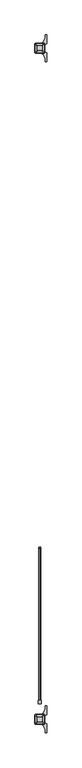
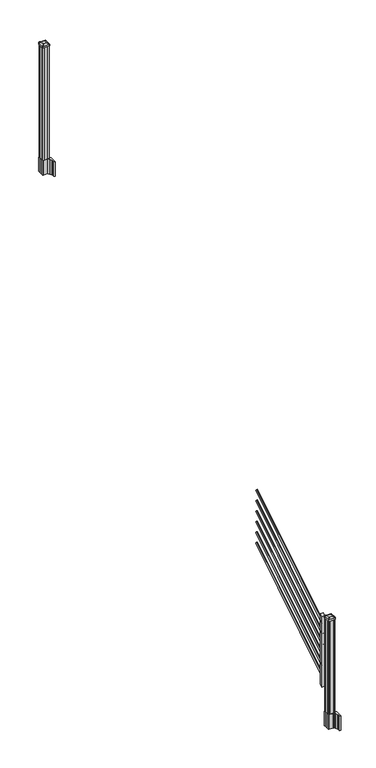
"""IFC4 building model written with IfcOpenShell, lengths in millimetres: railing geometry."""

import ifcopenshell
import ifcopenshell.guid

model = None  # the IFC model being written
_history = None  # IfcOwnerHistory: only IFC2X3 demands one
_inside = {}  # id of a spatial element -> (the spatial element, [elements in it])
_under = {}  # id of a project, library or spatial element -> (it, [spatial elements below it])
_declared = {}  # id of a project -> (the project, [libraries it declares])
_typed = {}  # id of a type object -> (the type object, [elements of that type])
_made_of = {}  # id of a material, layer set ... -> (it, [elements and type objects made of it])


def new_model(schema):
    """Start an empty IFC model of exactly this schema.

    Asked for "IFC4X3", IfcOpenShell would pick the latest addendum, in which some entities
    have other attributes; the version numbers below select the first issue.
    IFC2X3 requires an IfcOwnerHistory on every rooted entity: one is made here for all.
    """
    global model, _history
    if schema == "IFC4X3":
        model = ifcopenshell.file(schema_version=(4, 3, 0, 0))
    else:
        model = ifcopenshell.file(schema=schema)
    _inside.clear()
    _under.clear()
    _declared.clear()
    _typed.clear()
    _made_of.clear()
    _history = None
    if model.schema == "IFC2X3":
        org = make("IfcOrganization", Name="unknown")
        user = make(
            "IfcPersonAndOrganization",
            ThePerson=make("IfcPerson", FamilyName="unknown"),
            TheOrganization=org,
        )
        app = make(
            "IfcApplication",
            ApplicationDeveloper=org,
            Version="unknown",
            ApplicationFullName="unknown",
            ApplicationIdentifier="unknown",
        )
        _history = make(
            "IfcOwnerHistory",
            OwningUser=user,
            OwningApplication=app,
            ChangeAction="ADDED",
            CreationDate=0,
        )
    return model


def make(cls, **values):
    """One entity of the class cls with the attributes given. An attribute that is None is left unset."""
    return model.create_entity(
        cls, **{name: value for name, value in values.items() if value is not None}
    )


def rooted(cls, **values):
    """An entity with a GlobalId (a new one), such as an element, a storey or a relation."""
    return make(cls, GlobalId=ifcopenshell.guid.new(), OwnerHistory=_history, **values)


def si_unit(unit_type, name, prefix=None):
    """IfcSIUnit, for example si_unit("LENGTHUNIT", "METRE", prefix="MILLI")."""
    return make("IfcSIUnit", UnitType=unit_type, Prefix=prefix, Name=name)


def assignment(units):
    """IfcUnitAssignment: the units of a project."""
    return None if units is None else make("IfcUnitAssignment", Units=units)


def point(xyz):
    """IfcCartesianPoint."""
    return None if xyz is None else make("IfcCartesianPoint", Coordinates=xyz)


def direction(xyz):
    """IfcDirection."""
    return None if xyz is None else make("IfcDirection", DirectionRatios=xyz)


def frame(location, z_axis=None, x_axis=None):
    """IfcAxis2Placement3D, a coordinate frame: its origin and axes. An axis left out is left unset."""
    return make(
        "IfcAxis2Placement3D",
        Location=point(location),
        Axis=direction(z_axis),
        RefDirection=direction(x_axis),
    )


def frame_2d(location, x_axis=None):
    """IfcAxis2Placement2D, a coordinate frame in the plane: its origin and x axis."""
    return make(
        "IfcAxis2Placement2D", Location=point(location), RefDirection=direction(x_axis)
    )


def origin():
    """The frame at (0, 0, 0) with its axes left unset."""
    return frame((0.0, 0.0, 0.0))


def origin_2d():
    """The frame at (0, 0) in the plane with its x axis left unset."""
    return frame_2d((0.0, 0.0))


def place(relative_to, where):
    """IfcLocalPlacement: puts the frame where relative to a parent placement (None: the world)."""
    return make(
        "IfcLocalPlacement", PlacementRelTo=relative_to, RelativePlacement=where
    )


def context(
    kind, dimensions, precision=None, world=None, true_north=None, identifier=None
):
    """IfcGeometricRepresentationContext, for example the 3D "Model" context."""
    return make(
        "IfcGeometricRepresentationContext",
        ContextIdentifier=identifier,
        ContextType=kind,
        CoordinateSpaceDimension=dimensions,
        Precision=precision,
        WorldCoordinateSystem=world,
        TrueNorth=true_north,
    )


def project(units=None, contexts=None):
    """IfcProject with its units and contexts."""
    return rooted(
        "IfcProject",
        Name="project",
        RepresentationContexts=contexts,
        UnitsInContext=assignment(units),
    )


def spatial(cls, under=None, at=None, **own):
    """A site, building, storey or space (cls), placed at a placement, below another one or the project."""
    s = rooted(cls, ObjectPlacement=at, **own)
    if under is not None:
        _under.setdefault(under.id(), (under, []))[1].append(s)
    return s


def polyline(points):
    """IfcPolyline through the points."""
    return make("IfcPolyline", Points=[point(p) for p in points])


def circle_curve(where, radius):
    """IfcCircle in the frame where."""
    return make("IfcCircle", Position=where, Radius=radius)


def trimmed(basis, trim1, trim2, sense, master):
    """IfcTrimmedCurve: the piece of a basis curve between two trims."""
    return make(
        "IfcTrimmedCurve",
        BasisCurve=basis,
        Trim1=trim1,
        Trim2=trim2,
        SenseAgreement=sense,
        MasterRepresentation=master,
    )


def segment(curve, same_sense, transition):
    """IfcCompositeCurveSegment."""
    return make(
        "IfcCompositeCurveSegment",
        Transition=transition,
        SameSense=same_sense,
        ParentCurve=curve,
    )


def composite_curve(segments, self_intersect=None):
    """IfcCompositeCurve: segments joined end to end."""
    return make("IfcCompositeCurve", Segments=segments, SelfIntersect=self_intersect)


def outline(outer, holes=None, kind="AREA"):
    """IfcArbitraryClosedProfileDef: a profile drawn as a closed curve; with holes, ...WithVoids."""
    if holes is None:
        return make("IfcArbitraryClosedProfileDef", ProfileType=kind, OuterCurve=outer)
    return make(
        "IfcArbitraryProfileDefWithVoids",
        ProfileType=kind,
        OuterCurve=outer,
        InnerCurves=holes,
    )


def extrude(swept, where, along, depth):
    """IfcExtrudedAreaSolid: the profile swept, set in the frame where, extruded along a direction by depth."""
    return make(
        "IfcExtrudedAreaSolid",
        SweptArea=swept,
        Position=where,
        ExtrudedDirection=direction(along),
        Depth=depth,
    )


def shape(context_of_items, identifier, shape_type, items):
    """IfcShapeRepresentation: the items that make up one representation, for example the "Body"."""
    return make(
        "IfcShapeRepresentation",
        ContextOfItems=context_of_items,
        RepresentationIdentifier=identifier,
        RepresentationType=shape_type,
        Items=items,
    )


def source(mapping_origin, context_of_items, identifier, shape_type, items):
    """IfcRepresentationMap: a shape defined once, which mapped items show again and again."""
    return make(
        "IfcRepresentationMap",
        MappingOrigin=mapping_origin,
        MappedRepresentation=shape(context_of_items, identifier, shape_type, items),
    )


def transform(
    local_origin,
    x_axis=None,
    y_axis=None,
    z_axis=None,
    scale=None,
    scale2=None,
    scale3=None,
    uniform=True,
):
    """IfcCartesianTransformationOperator3D, or its non-uniform kind. x_axis, y_axis, z_axis: its Axis1, 2, 3."""
    if uniform:
        return make(
            "IfcCartesianTransformationOperator3D",
            Axis1=direction(x_axis),
            Axis2=direction(y_axis),
            LocalOrigin=point(local_origin),
            Scale=scale,
            Axis3=direction(z_axis),
        )
    return make(
        "IfcCartesianTransformationOperator3DnonUniform",
        Axis1=direction(x_axis),
        Axis2=direction(y_axis),
        LocalOrigin=point(local_origin),
        Scale=scale,
        Axis3=direction(z_axis),
        Scale2=scale2,
        Scale3=scale3,
    )


def mapped(mapping_source, mapping_target):
    """IfcMappedItem: shows the shape of a source again, moved by a transform."""
    return make(
        "IfcMappedItem", MappingSource=mapping_source, MappingTarget=mapping_target
    )


def made_of(thing, what):
    """Note that an element or type object is made of a material, layer set ...; save() writes the relation."""
    if what is not None:
        _made_of.setdefault(what.id(), (what, []))[1].append(thing)
    return thing


def element(
    cls,
    number,
    at=None,
    inside=None,
    cuts=None,
    type_object=None,
    material=None,
    context=None,
    identifier="Body",
    shape_type=None,
    held_by="IfcProductDefinitionShape",
    body=None,
    shapes=None,
    **own,
):
    """One element of the class cls, such as IfcWall. Its Tag is "e" and its number.

    at: its placement. inside: the storey or other place that contains it. cuts: it is an
    opening in that element (IfcRelVoidsElement). A single representation is given by context,
    identifier, shape_type and body (its items); several are given by shapes. held_by: the class
    of the entity that holds the representations. save() writes the other relations.
    """
    e = rooted(cls, Tag="e%d" % number, ObjectPlacement=at, **own)
    if body is not None:
        shapes = [shape(context, identifier, shape_type, body)]
    if shapes is not None:
        e.Representation = make(held_by, Representations=shapes)
    if inside is not None:
        _inside.setdefault(inside.id(), (inside, []))[1].append(e)
    if cuts is not None:
        rooted(
            "IfcRelVoidsElement", RelatingBuildingElement=cuts, RelatedOpeningElement=e
        )
    if type_object is not None:
        _typed.setdefault(type_object.id(), (type_object, []))[1].append(e)
    return made_of(e, material)


def aggregate(whole, parts):
    """IfcRelAggregates: a whole, such as a stair, and the parts it consists of."""
    return rooted("IfcRelAggregates", RelatingObject=whole, RelatedObjects=parts)


def save(model, path):
    """Write the relations noted so far, then the file.

    IfcRelAggregates (storeys below a building ...), IfcRelContainedInSpatialStructure (elements
    in a storey), IfcRelDefinesByType, IfcRelAssociatesMaterial and IfcRelDeclares: one each for
    every whole, place, type object, material and project.
    """
    for whole, parts in _under.values():
        aggregate(whole, parts)
    for where, things in _inside.values():
        rooted(
            "IfcRelContainedInSpatialStructure",
            RelatedElements=things,
            RelatingStructure=where,
        )
    for kind, things in _typed.values():
        rooted("IfcRelDefinesByType", RelatedObjects=things, RelatingType=kind)
    for what, things in _made_of.values():
        rooted("IfcRelAssociatesMaterial", RelatedObjects=things, RelatingMaterial=what)
    for by, libraries in _declared.values():
        rooted("IfcRelDeclares", RelatingContext=by, RelatedDefinitions=libraries)
    model.write(path)


def plane_surface(at):
    """IfcPlane: the flat surface through the origin of the frame at, square to its z axis."""
    return make("IfcPlane", Position=at)


def extruded_surface(curve, direction_of_extrusion, depth):
    """IfcSurfaceOfLinearExtrusion: the curve pushed along a direction by depth."""
    return make(
        "IfcSurfaceOfLinearExtrusion",
        SweptCurve=make("IfcArbitraryOpenProfileDef", ProfileType="CURVE", Curve=curve),
        ExtrudedDirection=direction(direction_of_extrusion),
        Depth=depth,
    )


def advanced_brep(points, edges, surfaces, faces):
    """IfcAdvancedBrep: a solid bounded by faces that lie on surfaces and meet in shared edges.

    An edge is (start, end): straight between two places in points (the first is 0);
    or (start, end, curve); or (start, end, curve, False) where it runs against its curve.
    A face is (place in surfaces, loops), or (place, loops, False) where it looks against
    its surface's normal. A loop lists edges by number (the first is 1), with a minus sign
    where the edge is run from its end to its start. The first loop is the outer one.
    """
    corners = [point(p) for p in points]
    vertices = [make("IfcVertexPoint", VertexGeometry=c) for c in corners]
    made = []
    for start, end, *more in edges:
        made.append(
            make(
                "IfcEdgeCurve",
                EdgeStart=vertices[start],
                EdgeEnd=vertices[end],
                EdgeGeometry=more[0] if more else make("IfcPolyline", Points=[corners[start], corners[end]]),
                SameSense=more[1] if len(more) > 1 else True,
            )
        )
    hull = []
    for where, loops, *sense in faces:
        bounds = []
        for j, loop in enumerate(loops):
            ring = [make("IfcOrientedEdge", EdgeElement=made[abs(k) - 1], Orientation=k > 0) for k in loop]
            bounds.append(
                make(
                    "IfcFaceOuterBound" if j == 0 else "IfcFaceBound",
                    Bound=make("IfcEdgeLoop", EdgeList=ring),
                    Orientation=True,
                )
            )
        hull.append(make("IfcAdvancedFace", Bounds=bounds, FaceSurface=surfaces[where], SameSense=sense[0] if sense else True))
    return make("IfcAdvancedBrep", Outer=make("IfcClosedShell", CfsFaces=hull))


def railing_d5730ad0(model_context):
    return source(origin(), model_context, "Body", "SolidModel", [
        extrude(outline(composite_curve([segment(trimmed(circle_curve(origin_2d(), 8.001), [point((0.0, -8.001))], [point((0.0, 8.001))], False, "CARTESIAN"), True, "CONTINUOUS"), segment(trimmed(circle_curve(origin_2d(), 8.001), [point((0.0, 8.001))], [point((0.0, -8.001))], False, "CARTESIAN"), True, "CONTINUOUS")], self_intersect=False)), frame((7312.3759347, -142640.4708453, 505.0646159), z_axis=(0.0, 0.8479983040051253, 0.5299989400031202), x_axis=(-1.0, 0.0, 0.0)), (0.0, 0.0, 1.0), 1347.8800542),
        extrude(outline(composite_curve([segment(trimmed(circle_curve(origin_2d(), 8.001), [point((0.0, -8.001))], [point((0.0, 8.001))], False, "CARTESIAN"), True, "CONTINUOUS"), segment(trimmed(circle_curve(origin_2d(), 8.001), [point((0.0, 8.001))], [point((0.0, -8.001))], False, "CARTESIAN"), True, "CONTINUOUS")], self_intersect=False)), frame((7312.3759347, -142640.4708453, 616.2545274), z_axis=(0.0, 0.8479983040051253, 0.5299989400031202), x_axis=(-1.0, 0.0, 0.0)), (0.0, 0.0, 1.0), 1347.8800542),
        extrude(outline(composite_curve([segment(trimmed(circle_curve(origin_2d(), 8.001), [point((0.0, -8.001))], [point((0.0, 8.001))], False, "CARTESIAN"), True, "CONTINUOUS"), segment(trimmed(circle_curve(origin_2d(), 8.001), [point((0.0, 8.001))], [point((0.0, -8.001))], False, "CARTESIAN"), True, "CONTINUOUS")], self_intersect=False)), frame((7312.3759347, -142640.4708453, 727.444439), z_axis=(0.0, 0.8479983040051254, 0.5299989400031202), x_axis=(-1.0, 0.0, 0.0)), (0.0, 0.0, 1.0), 1347.8800542),
        extrude(outline(composite_curve([segment(trimmed(circle_curve(origin_2d(), 8.001), [point((0.0, -8.001))], [point((0.0, 8.001))], False, "CARTESIAN"), True, "CONTINUOUS"), segment(trimmed(circle_curve(origin_2d(), 8.001), [point((0.0, 8.001))], [point((0.0, -8.001))], False, "CARTESIAN"), True, "CONTINUOUS")], self_intersect=False)), frame((7312.3759347, -142640.4708453, 838.6343506), z_axis=(0.0, 0.8479983040051254, 0.5299989400031202), x_axis=(-1.0, 0.0, 0.0)), (0.0, 0.0, 1.0), 1347.8800542),
        extrude(outline(composite_curve([segment(trimmed(circle_curve(origin_2d(), 8.001), [point((0.0, -8.001))], [point((0.0, 8.001))], False, "CARTESIAN"), True, "CONTINUOUS"), segment(trimmed(circle_curve(origin_2d(), 8.001), [point((0.0, 8.001))], [point((0.0, -8.001))], False, "CARTESIAN"), True, "CONTINUOUS")], self_intersect=False)), frame((7312.3759347, -142640.4708453, 949.8242622), z_axis=(0.0, 0.8479983040051253, 0.5299989400031203), x_axis=(-1.0, 0.0, 0.0)), (0.0, 0.0, 1.0), 1347.8800542),
        extrude(outline(composite_curve([segment(trimmed(circle_curve(origin_2d(), 8.001), [point((0.0, -8.001))], [point((0.0, 8.001))], False, "CARTESIAN"), True, "CONTINUOUS"), segment(trimmed(circle_curve(origin_2d(), 8.001), [point((0.0, 8.001))], [point((0.0, -8.001))], False, "CARTESIAN"), True, "CONTINUOUS")], self_intersect=False)), frame((7312.3759347, -142640.4708453, 1061.0141737), z_axis=(0.0, 0.8479983040051253, 0.5299989400031203), x_axis=(-1.0, 0.0, 0.0)), (0.0, 0.0, 1.0), 1347.8800542),
        extrude(outline(polyline([(-142622.6908453, 415.0953781), (-142648.0908453, 399.2203781), (-142648.0908453, 1140.1425), (-142622.6908453, 1156.0175), (-142622.6908453, 415.0953781)])), frame((7299.3657728, 0.0, 0.0), z_axis=(1.0, 0.0, 0.0), x_axis=(0.0, 1.0, 0.0)), (0.0, 0.0, 1.0), 25.4),
        extrude(outline(composite_curve([segment(polyline([(7279.0140228, -137837.4449401), (7279.0140228, -137803.1807504), (7277.4265228, -137802.4187504), (7277.4265228, -137788.8878224), (7280.6407498, -137785.6735953), (7332.3214206, -137785.6735953), (7332.3214206, -137784.7528453), (7327.9710895, -137784.7528453), (7327.9710895, -137783.2985906), (7323.5976348, -137783.2985906), (7323.5976348, -137782.0145668), (7325.264907, -137782.0145668)]), True, "CONTINUOUS"), segment(trimmed(circle_curve(frame_2d((7325.264907, -137765.2713569)), 16.7432099), [point((7325.264907, -137782.0145668))], [point((7341.8870293, -137767.2813636))], True, "CARTESIAN"), True, "CONTINUOUS"), segment(polyline([(7341.8870293, -137767.2813636), (7349.6024736, -137750.2460251)]), True, "CONTINUOUS"), segment(trimmed(circle_curve(frame_2d((7304.5017103, -137733.9739755)), 47.9464123), [point((7349.6024736, -137750.2460251))], [point((7352.4481226, -137733.9739755))], True, "CARTESIAN"), True, "CONTINUOUS"), segment(polyline([(7352.4481226, -137733.9739755), (7352.4481226, -137721.9652359), (7364.6517103, -137721.9652359), (7364.6517103, -137787.2610953), (7346.7050228, -137798.8375116), (7346.7050228, -137802.4187504), (7345.1175228, -137803.1807504), (7345.1175228, -137837.4449401), (7346.7050228, -137838.2069401), (7346.7050228, -137841.788179), (7364.6517103, -137853.3645953), (7364.6517103, -137918.6604547), (7352.4481226, -137918.6604547), (7352.4481226, -137906.6517151)]), True, "CONTINUOUS"), segment(trimmed(circle_curve(frame_2d((7304.5017103, -137906.6517151)), 47.9464123), [point((7352.4481226, -137906.6517151))], [point((7349.6024736, -137890.3796654))], True, "CARTESIAN"), True, "CONTINUOUS"), segment(polyline([(7349.6024736, -137890.3796654), (7341.8870293, -137873.344327)]), True, "CONTINUOUS"), segment(trimmed(circle_curve(frame_2d((7325.264907, -137875.3543337)), 16.7432099), [point((7341.8870293, -137873.344327))], [point((7325.264907, -137858.6111238))], True, "CARTESIAN"), True, "CONTINUOUS"), segment(polyline([(7325.264907, -137858.6111238), (7333.0556192, -137858.6111238), (7333.0556192, -137857.3271), (7327.9710895, -137857.3271), (7327.9710895, -137855.8728453), (7332.3214206, -137855.8728453), (7332.3214206, -137854.9520953), (7280.6407498, -137854.9520953), (7277.4265228, -137851.7378682), (7277.4265228, -137838.2069401), (7279.0140228, -137837.4449401)]), True, "CONTINUOUS")], self_intersect=False), holes=[polyline([(7343.8157728, -137790.1503453), (7342.2282728, -137788.5628453), (7314.8289902, -137788.5628453), (7281.9032728, -137788.5628453), (7280.3157728, -137790.1503453), (7280.3157728, -137850.4753453), (7281.9032728, -137852.0628453), (7314.8289902, -137852.0628453), (7342.2282728, -137852.0628453), (7343.8157728, -137850.4753453), (7343.8157728, -137790.1503453)])]), frame((0.0, 0.0, 2895.6), z_axis=(0.0, 0.0, 1.0), x_axis=(1.0, 0.0, 0.0)), (0.0, 0.0, 1.0), 152.4),
        advanced_brep(
        [(7327.9407728, -137839.3628453, 4264.149263), (7331.1157728, -137836.1878453, 4264.149263), (7331.1157728, -137804.4378453, 4264.149263), (7327.9407728, -137801.2628453, 4264.149263), (7296.1907728, -137801.2628453, 4264.149263), (7293.0157728, -137804.4378453, 4264.149263), (7293.0157728, -137836.1878453, 4264.149263), (7296.1907728, -137839.3628453, 4264.149263), (7344.4507728, -137855.8728453, 4252.846263), (7279.6807728, -137855.8728453, 4252.846263), (7276.5057728, -137852.6978453, 4252.846263), (7276.5057728, -137787.9278453, 4252.846263), (7279.6807728, -137784.7528453, 4252.846263), (7344.4507728, -137784.7528453, 4252.846263), (7347.6257728, -137787.9278453, 4252.846263), (7347.6257728, -137852.6978453, 4252.846263)],
        [
            (0, 1, circle_curve(frame((7327.9407728, -137836.1878453, 4264.149263), z_axis=(0.0, 0.0, 1.0), x_axis=(0.0, 1.0, 0.0)), 3.175)),
            (1, 2),
            (2, 3, circle_curve(frame((7327.9407728, -137804.4378453, 4264.149263), z_axis=(0.0, 0.0, 1.0), x_axis=(0.0, 1.0, 0.0)), 3.175)),
            (3, 4),
            (4, 5, circle_curve(frame((7296.1907728, -137804.4378453, 4264.149263), z_axis=(0.0, 0.0, 1.0), x_axis=(0.0, 1.0, 0.0)), 3.175)),
            (5, 6),
            (6, 7, circle_curve(frame((7296.1907728, -137836.1878453, 4264.149263), z_axis=(0.0, 0.0, 1.0), x_axis=(0.0, 1.0, 0.0)), 3.175)),
            (7, 0),
            (8, 9),
            (9, 10, circle_curve(frame((7279.6807728, -137852.6978453, 4252.846263), z_axis=(0.0, 0.0, -1.0), x_axis=(0.0, 1.0, 0.0)), 3.175)),
            (10, 11),
            (11, 12, circle_curve(frame((7279.6807728, -137787.9278453, 4252.846263), z_axis=(0.0, 0.0, -1.0), x_axis=(0.0, 1.0, 0.0)), 3.175)),
            (12, 13),
            (13, 14, circle_curve(frame((7344.4507728, -137787.9278453, 4252.846263), z_axis=(0.0, 0.0, -1.0), x_axis=(0.0, 1.0, 0.0)), 3.175)),
            (14, 15),
            (15, 8, circle_curve(frame((7344.4507728, -137852.6978453, 4252.846263), z_axis=(0.0, 0.0, -1.0), x_axis=(0.0, 1.0, 0.0)), 3.175)),
            (15, 1),
            (0, 8),
            (14, 2),
            (13, 3),
            (12, 4),
            (11, 5),
            (10, 6),
            (9, 7),
        ],
        [
            plane_surface(frame((7312.0657728, -137820.3128453, 4264.149263), z_axis=(0.0, 0.0, 1.0), x_axis=(1.0, 0.0, 0.0))),
            plane_surface(frame((7312.0657728, -137820.3128453, 4252.846263), z_axis=(0.0, 0.0, -1.0), x_axis=(1.0, 0.0, 0.0))),
            extruded_surface(trimmed(circle_curve(frame((7344.4507728, -137852.6978453, 4252.846263), z_axis=(0.0, 0.0, 1.0), x_axis=(0.0, 1.0, 0.0)), 3.175), [point((7344.4507728, -137855.8728453, 4252.846263))], [point((7347.6257728, -137852.6978453, 4252.846263))], True, "CARTESIAN"), (-16.51000000000022, 16.50999999998021, 11.302999999999884), 25.940663233605864),
            plane_surface(frame((7347.6257728, -137820.3128453, 4252.846263), z_axis=(0.5649114395471265, 0.0, 0.8251515409116033), x_axis=(0.0, 1.0, 0.0))),
            extruded_surface(trimmed(circle_curve(frame((7344.4507728, -137787.9278453, 4252.846263), z_axis=(0.0, 0.0, 1.0), x_axis=(0.0, 1.0, 0.0)), 3.175), [point((7347.6257728, -137787.9278453, 4252.846263))], [point((7344.4507728, -137784.7528453, 4252.846263))], True, "CARTESIAN"), (-16.51000000000022, -16.510000000009313, 11.302999999999884), 25.940663233624388),
            plane_surface(frame((7312.0657728, -137784.7528453, 4252.846263), z_axis=(0.0, 0.564911439547091, 0.8251515409116277), x_axis=(-1.0, 0.0, 0.0))),
            extruded_surface(trimmed(circle_curve(frame((7279.6807728, -137787.9278453, 4252.846263), z_axis=(0.0, 0.0, 1.0), x_axis=(0.0, 1.0, 0.0)), 3.175), [point((7279.6807728, -137784.7528453, 4252.846263))], [point((7276.5057728, -137787.9278453, 4252.846263))], True, "CARTESIAN"), (16.50999999999931, -16.510000000009313, 11.302999999999884), 25.94066323362381),
            plane_surface(frame((7276.5057728, -137820.3128453, 4252.846263), z_axis=(-0.5649114395470568, 0.0, 0.8251515409116511), x_axis=(0.0, -1.0, 0.0))),
            extruded_surface(trimmed(circle_curve(frame((7279.6807728, -137852.6978453, 4252.846263), z_axis=(0.0, 0.0, 1.0), x_axis=(0.0, 1.0, 0.0)), 3.175), [point((7276.5057728, -137852.6978453, 4252.846263))], [point((7279.6807728, -137855.8728453, 4252.846263))], True, "CARTESIAN"), (16.50999999999931, 16.50999999998021, 11.302999999999884), 25.940663233605285),
            plane_surface(frame((7312.0657728, -137855.8728453, 4252.846263), z_axis=(0.0, -0.5649114395471048, 0.8251515409116182), x_axis=(1.0, 0.0, 0.0))),
        ],
        [
            (0, [[1, 2, 3, 4, 5, 6, 7, 8]]),
            (1, [[9, 10, 11, 12, 13, 14, 15, 16]]),
            (2, [[-16, 17, -1, 18]]),
            (3, [[-15, 19, -2, -17]]),
            (4, [[-14, 20, -3, -19]]),
            (5, [[-13, 21, -4, -20]]),
            (6, [[-12, 22, -5, -21]]),
            (7, [[-11, 23, -6, -22]]),
            (8, [[-10, 24, -7, -23]]),
            (9, [[-9, -18, -8, -24]]),
        ],
    ),
        extrude(outline(composite_curve([segment(polyline([(7344.4507728, -137855.8728453), (7279.6807728, -137855.8728453)]), True, "CONTINUOUS"), segment(trimmed(circle_curve(frame_2d((7279.6807728, -137852.6978453)), 3.175), [point((7279.6807728, -137855.8728453))], [point((7276.5057728, -137852.6978453))], False, "CARTESIAN"), True, "CONTINUOUS"), segment(polyline([(7276.5057728, -137852.6978453), (7276.5057728, -137787.9278453)]), True, "CONTINUOUS"), segment(trimmed(circle_curve(frame_2d((7279.6807728, -137787.9278453)), 3.175), [point((7276.5057728, -137787.9278453))], [point((7279.6807728, -137784.7528453))], False, "CARTESIAN"), True, "CONTINUOUS"), segment(polyline([(7279.6807728, -137784.7528453), (7344.4507728, -137784.7528453)]), True, "CONTINUOUS"), segment(trimmed(circle_curve(frame_2d((7344.4507728, -137787.9278453)), 3.175), [point((7344.4507728, -137784.7528453))], [point((7347.6257728, -137787.9278453))], False, "CARTESIAN"), True, "CONTINUOUS"), segment(polyline([(7347.6257728, -137787.9278453), (7347.6257728, -137852.6978453)]), True, "CONTINUOUS"), segment(trimmed(circle_curve(frame_2d((7344.4507728, -137852.6978453)), 3.175), [point((7347.6257728, -137852.6978453))], [point((7344.4507728, -137855.8728453))], False, "CARTESIAN"), True, "CONTINUOUS")], self_intersect=False)), frame((0.0, 0.0, 4235.574263), z_axis=(0.0, 0.0, 1.0), x_axis=(1.0, 0.0, 0.0)), (0.0, 0.0, 1.0), 17.272),
        extrude(outline(polyline([(7342.2282728, -137852.0628453), (7331.8777728, -137852.0628453), (7331.1157728, -137850.4753453), (7293.0157728, -137850.4753453), (7292.2537728, -137852.0628453), (7281.9032728, -137852.0628453), (7280.3157728, -137850.4753453), (7280.3157728, -137840.1248453), (7281.9032728, -137839.3628453), (7281.9032728, -137801.2628453), (7280.3157728, -137800.5008453), (7280.3157728, -137790.1503453), (7281.9032728, -137788.5628453), (7292.2537728, -137788.5628453), (7293.0157728, -137790.1503453), (7331.1157728, -137790.1503453), (7331.8777728, -137788.5628453), (7342.2282728, -137788.5628453), (7343.8157728, -137790.1503453), (7343.8157728, -137800.5008453), (7342.2282728, -137801.2628453), (7342.2282728, -137839.3628453), (7343.8157728, -137840.1248453), (7343.8157728, -137850.4753453), (7342.2282728, -137852.0628453)])), frame((0.0, 0.0, 3048.0), z_axis=(0.0, 0.0, 1.0), x_axis=(1.0, 0.0, 0.0)), (0.0, 0.0, 1.0), 1187.574263),
        extrude(outline(composite_curve([segment(polyline([(7279.0140228, -142777.7449401), (7279.0140228, -142743.4807504), (7277.4265228, -142742.7187504), (7277.4265228, -142729.1878224), (7280.6407498, -142725.9735953), (7332.3214206, -142725.9735953), (7332.3214206, -142725.0528453), (7327.9710895, -142725.0528453), (7327.9710895, -142723.5985906), (7323.5976348, -142723.5985906), (7323.5976348, -142722.3145668), (7325.264907, -142722.3145668)]), True, "CONTINUOUS"), segment(trimmed(circle_curve(frame_2d((7325.264907, -142705.5713569)), 16.7432099), [point((7325.264907, -142722.3145668))], [point((7341.8870293, -142707.5813636))], True, "CARTESIAN"), True, "CONTINUOUS"), segment(polyline([(7341.8870293, -142707.5813636), (7349.6024736, -142690.5460251)]), True, "CONTINUOUS"), segment(trimmed(circle_curve(frame_2d((7304.5017103, -142674.2739755)), 47.9464123), [point((7349.6024736, -142690.5460251))], [point((7352.4481226, -142674.2739755))], True, "CARTESIAN"), True, "CONTINUOUS"), segment(polyline([(7352.4481226, -142674.2739755), (7352.4481226, -142662.2652359), (7364.6517103, -142662.2652359), (7364.6517103, -142727.5610953), (7346.7050228, -142739.1375116), (7346.7050228, -142742.7187504), (7345.1175228, -142743.4807504), (7345.1175228, -142777.7449401), (7346.7050228, -142778.5069401), (7346.7050228, -142782.088179), (7364.6517103, -142793.6645953), (7364.6517103, -142858.9604547), (7352.4481226, -142858.9604547), (7352.4481226, -142846.9517151)]), True, "CONTINUOUS"), segment(trimmed(circle_curve(frame_2d((7304.5017103, -142846.9517151)), 47.9464123), [point((7352.4481226, -142846.9517151))], [point((7349.6024736, -142830.6796654))], True, "CARTESIAN"), True, "CONTINUOUS"), segment(polyline([(7349.6024736, -142830.6796654), (7341.8870293, -142813.644327)]), True, "CONTINUOUS"), segment(trimmed(circle_curve(frame_2d((7325.264907, -142815.6543337)), 16.7432099), [point((7341.8870293, -142813.644327))], [point((7325.264907, -142798.9111238))], True, "CARTESIAN"), True, "CONTINUOUS"), segment(polyline([(7325.264907, -142798.9111238), (7333.0556192, -142798.9111238), (7333.0556192, -142797.6271), (7327.9710895, -142797.6271), (7327.9710895, -142796.1728453), (7332.3214206, -142796.1728453), (7332.3214206, -142795.2520953), (7280.6407498, -142795.2520953), (7277.4265228, -142792.0378682), (7277.4265228, -142778.5069401), (7279.0140228, -142777.7449401)]), True, "CONTINUOUS")], self_intersect=False), holes=[polyline([(7343.8157728, -142730.4503453), (7342.2282728, -142728.8628453), (7314.8289902, -142728.8628453), (7281.9032728, -142728.8628453), (7280.3157728, -142730.4503453), (7280.3157728, -142790.7753453), (7281.9032728, -142792.3628453), (7314.8289902, -142792.3628453), (7342.2282728, -142792.3628453), (7343.8157728, -142790.7753453), (7343.8157728, -142730.4503453)])]), frame((0.0, 0.0, 50.00625), z_axis=(0.0, 0.0, 1.0), x_axis=(1.0, 0.0, 0.0)), (0.0, 0.0, 1.0), 152.4),
        advanced_brep(
        [(7327.9407728, -142779.6628453, 1215.355513), (7331.1157728, -142776.4878453, 1215.355513), (7331.1157728, -142744.7378453, 1215.355513), (7327.9407728, -142741.5628453, 1215.355513), (7296.1907728, -142741.5628453, 1215.355513), (7293.0157728, -142744.7378453, 1215.355513), (7293.0157728, -142776.4878453, 1215.355513), (7296.1907728, -142779.6628453, 1215.355513), (7344.4507728, -142796.1728453, 1204.052513), (7279.6807728, -142796.1728453, 1204.052513), (7276.5057728, -142792.9978453, 1204.052513), (7276.5057728, -142728.2278453, 1204.052513), (7279.6807728, -142725.0528453, 1204.052513), (7344.4507728, -142725.0528453, 1204.052513), (7347.6257728, -142728.2278453, 1204.052513), (7347.6257728, -142792.9978453, 1204.052513)],
        [
            (0, 1, circle_curve(frame((7327.9407728, -142776.4878453, 1215.355513), z_axis=(0.0, 0.0, 1.0), x_axis=(0.0, 1.0, 0.0)), 3.175)),
            (1, 2),
            (2, 3, circle_curve(frame((7327.9407728, -142744.7378453, 1215.355513), z_axis=(0.0, 0.0, 1.0), x_axis=(0.0, 1.0, 0.0)), 3.175)),
            (3, 4),
            (4, 5, circle_curve(frame((7296.1907728, -142744.7378453, 1215.355513), z_axis=(0.0, 0.0, 1.0), x_axis=(0.0, 1.0, 0.0)), 3.175)),
            (5, 6),
            (6, 7, circle_curve(frame((7296.1907728, -142776.4878453, 1215.355513), z_axis=(0.0, 0.0, 1.0), x_axis=(0.0, 1.0, 0.0)), 3.175)),
            (7, 0),
            (8, 9),
            (9, 10, circle_curve(frame((7279.6807728, -142792.9978453, 1204.052513), z_axis=(0.0, 0.0, -1.0), x_axis=(0.0, 1.0, 0.0)), 3.175)),
            (10, 11),
            (11, 12, circle_curve(frame((7279.6807728, -142728.2278453, 1204.052513), z_axis=(0.0, 0.0, -1.0), x_axis=(0.0, 1.0, 0.0)), 3.175)),
            (12, 13),
            (13, 14, circle_curve(frame((7344.4507728, -142728.2278453, 1204.052513), z_axis=(0.0, 0.0, -1.0), x_axis=(0.0, 1.0, 0.0)), 3.175)),
            (14, 15),
            (15, 8, circle_curve(frame((7344.4507728, -142792.9978453, 1204.052513), z_axis=(0.0, 0.0, -1.0), x_axis=(0.0, 1.0, 0.0)), 3.175)),
            (15, 1),
            (0, 8),
            (14, 2),
            (13, 3),
            (12, 4),
            (11, 5),
            (10, 6),
            (9, 7),
        ],
        [
            plane_surface(frame((7312.0657728, -142760.6128453, 1215.355513), z_axis=(0.0, 0.0, 1.0), x_axis=(1.0, 0.0, 0.0))),
            plane_surface(frame((7312.0657728, -142760.6128453, 1204.052513), z_axis=(0.0, 0.0, -1.0), x_axis=(1.0, 0.0, 0.0))),
            extruded_surface(trimmed(circle_curve(frame((7344.4507728, -142792.9978453, 1204.052513), z_axis=(0.0, 0.0, 1.0), x_axis=(0.0, 1.0, 0.0)), 3.175), [point((7344.4507728, -142796.1728453, 1204.052513))], [point((7347.6257728, -142792.9978453, 1204.052513))], True, "CARTESIAN"), (-16.51000000000022, 16.510000000009313, 11.302999999999884), 25.940663233624388),
            plane_surface(frame((7347.6257728, -142760.6128453, 1204.052513), z_axis=(0.5649114395471265, 0.0, 0.8251515409116033), x_axis=(0.0, 1.0, 0.0))),
            extruded_surface(trimmed(circle_curve(frame((7344.4507728, -142728.2278453, 1204.052513), z_axis=(0.0, 0.0, 1.0), x_axis=(0.0, 1.0, 0.0)), 3.175), [point((7347.6257728, -142728.2278453, 1204.052513))], [point((7344.4507728, -142725.0528453, 1204.052513))], True, "CARTESIAN"), (-16.51000000000022, -16.510000000009313, 11.302999999999884), 25.940663233624388),
            plane_surface(frame((7312.0657728, -142725.0528453, 1204.052513), z_axis=(0.0, 0.564911439547091, 0.8251515409116277), x_axis=(-1.0, 0.0, 0.0))),
            extruded_surface(trimmed(circle_curve(frame((7279.6807728, -142728.2278453, 1204.052513), z_axis=(0.0, 0.0, 1.0), x_axis=(0.0, 1.0, 0.0)), 3.175), [point((7279.6807728, -142725.0528453, 1204.052513))], [point((7276.5057728, -142728.2278453, 1204.052513))], True, "CARTESIAN"), (16.50999999999931, -16.510000000009313, 11.302999999999884), 25.94066323362381),
            plane_surface(frame((7276.5057728, -142760.6128453, 1204.052513), z_axis=(-0.5649114395470569, 0.0, 0.825151540911651), x_axis=(0.0, -1.0, 0.0))),
            extruded_surface(trimmed(circle_curve(frame((7279.6807728, -142792.9978453, 1204.052513), z_axis=(0.0, 0.0, 1.0), x_axis=(0.0, 1.0, 0.0)), 3.175), [point((7276.5057728, -142792.9978453, 1204.052513))], [point((7279.6807728, -142796.1728453, 1204.052513))], True, "CARTESIAN"), (16.50999999999931, 16.510000000009313, 11.302999999999884), 25.94066323362381),
            plane_surface(frame((7312.0657728, -142796.1728453, 1204.052513), z_axis=(0.0, -0.5649114395471048, 0.8251515409116182), x_axis=(1.0, 0.0, 0.0))),
        ],
        [
            (0, [[1, 2, 3, 4, 5, 6, 7, 8]]),
            (1, [[9, 10, 11, 12, 13, 14, 15, 16]]),
            (2, [[-16, 17, -1, 18]]),
            (3, [[-15, 19, -2, -17]]),
            (4, [[-14, 20, -3, -19]]),
            (5, [[-13, 21, -4, -20]]),
            (6, [[-12, 22, -5, -21]]),
            (7, [[-11, 23, -6, -22]]),
            (8, [[-10, 24, -7, -23]]),
            (9, [[-9, -18, -8, -24]]),
        ],
    ),
        extrude(outline(composite_curve([segment(polyline([(7344.4507728, -142796.1728453), (7279.6807728, -142796.1728453)]), True, "CONTINUOUS"), segment(trimmed(circle_curve(frame_2d((7279.6807728, -142792.9978453)), 3.175), [point((7279.6807728, -142796.1728453))], [point((7276.5057728, -142792.9978453))], False, "CARTESIAN"), True, "CONTINUOUS"), segment(polyline([(7276.5057728, -142792.9978453), (7276.5057728, -142728.2278453)]), True, "CONTINUOUS"), segment(trimmed(circle_curve(frame_2d((7279.6807728, -142728.2278453)), 3.175), [point((7276.5057728, -142728.2278453))], [point((7279.6807728, -142725.0528453))], False, "CARTESIAN"), True, "CONTINUOUS"), segment(polyline([(7279.6807728, -142725.0528453), (7344.4507728, -142725.0528453)]), True, "CONTINUOUS"), segment(trimmed(circle_curve(frame_2d((7344.4507728, -142728.2278453)), 3.175), [point((7344.4507728, -142725.0528453))], [point((7347.6257728, -142728.2278453))], False, "CARTESIAN"), True, "CONTINUOUS"), segment(polyline([(7347.6257728, -142728.2278453), (7347.6257728, -142792.9978453)]), True, "CONTINUOUS"), segment(trimmed(circle_curve(frame_2d((7344.4507728, -142792.9978453)), 3.175), [point((7347.6257728, -142792.9978453))], [point((7344.4507728, -142796.1728453))], False, "CARTESIAN"), True, "CONTINUOUS")], self_intersect=False)), frame((0.0, 0.0, 1186.780513), z_axis=(0.0, 0.0, 1.0), x_axis=(1.0, 0.0, 0.0)), (0.0, 0.0, 1.0), 17.272),
        extrude(outline(polyline([(7342.2282728, -142792.3628453), (7331.8777728, -142792.3628453), (7331.1157728, -142790.7753453), (7293.0157728, -142790.7753453), (7292.2537728, -142792.3628453), (7281.9032728, -142792.3628453), (7280.3157728, -142790.7753453), (7280.3157728, -142780.4248453), (7281.9032728, -142779.6628453), (7281.9032728, -142741.5628453), (7280.3157728, -142740.8008453), (7280.3157728, -142730.4503453), (7281.9032728, -142728.8628453), (7292.2537728, -142728.8628453), (7293.0157728, -142730.4503453), (7331.1157728, -142730.4503453), (7331.8777728, -142728.8628453), (7342.2282728, -142728.8628453), (7343.8157728, -142730.4503453), (7343.8157728, -142740.8008453), (7342.2282728, -142741.5628453), (7342.2282728, -142779.6628453), (7343.8157728, -142780.4248453), (7343.8157728, -142790.7753453), (7342.2282728, -142792.3628453)])), frame((0.0, 0.0, 202.40625), z_axis=(0.0, 0.0, 1.0), x_axis=(1.0, 0.0, 0.0)), (0.0, 0.0, 1.0), 984.374263),
    ])


if __name__ == "__main__":
    model = new_model("IFC4")
    model_context = context("Model", 3, world=origin())
    ifc_project = project(units=[si_unit("LENGTHUNIT", "METRE", prefix="MILLI")], contexts=[model_context])
    site = spatial("IfcSite", under=ifc_project)
    building = spatial("IfcBuilding", under=site)
    placement = place(None, origin())
    railing_shape = railing_d5730ad0(model_context)
    element("IfcRailing", 1, at=placement, inside=building, context=model_context, shape_type="MappedRepresentation", body=[
        mapped(railing_shape, transform((0.0, 0.0, 0.0), x_axis=(1.0, 0.0, 0.0), y_axis=(0.0, 1.0, 0.0), z_axis=(0.0, 0.0, 1.0))),
    ])
    save(model, "model.ifc")
